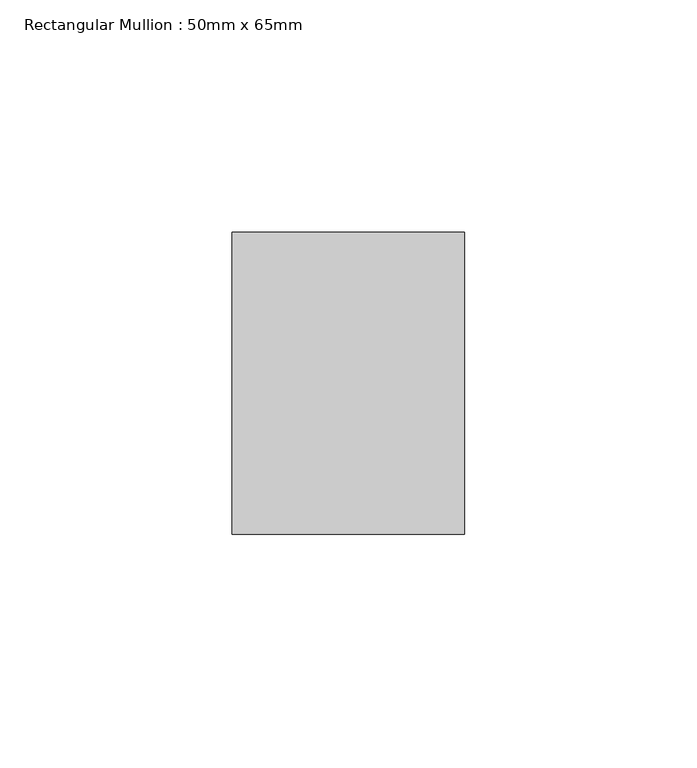
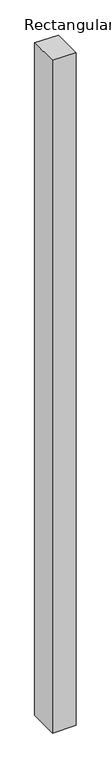
"""IFC4 building model written with IfcOpenShell, lengths in millimetres: member geometry, Rectangular Mullion : 50mm x 65mm."""

from ifc_helpers import new_model, si_unit, frame, origin, place, context, project, spatial, polyline, outline, extrude, source, transform, mapped, element, save


def rectangular_mullion_50mm_x_65mm_ef2b7d40(model_context):
    return source(origin(), model_context, "Body", "SweptSolid", [
        extrude(outline(polyline([(-32.5, 0.1073298), (32.5, -0.1073297), (32.5, -1499.9555245), (-32.5, -1500.0441955), (-32.5, 0.1073298)])), frame((-25.0, 0.0, 0.0), z_axis=(1.0, 0.0, 0.0), x_axis=(0.0, 1.0, 0.0)), (0.0, 0.0, 1.0), 50.0),
    ])


if __name__ == "__main__":
    model = new_model("IFC4")
    model_context = context("Model", 3, world=origin())
    ifc_project = project(units=[si_unit("LENGTHUNIT", "METRE", prefix="MILLI")], contexts=[model_context])
    site = spatial("IfcSite", under=ifc_project)
    building = spatial("IfcBuilding", under=site)
    placement = place(None, origin())
    rectangular_mullion_50mm_x_65mm_shape = rectangular_mullion_50mm_x_65mm_ef2b7d40(model_context)
    element("IfcMember", 1, ObjectType="Rectangular Mullion : 50mm x 65mm", at=placement, inside=building, context=model_context, shape_type="MappedRepresentation", body=[
        mapped(rectangular_mullion_50mm_x_65mm_shape, transform((0.0, 0.0, 0.0), x_axis=(1.0, 0.0, 0.0), y_axis=(0.0, 1.0, 0.0), z_axis=(0.0, 0.0, 1.0))),
    ])
    save(model, "model.ifc")
